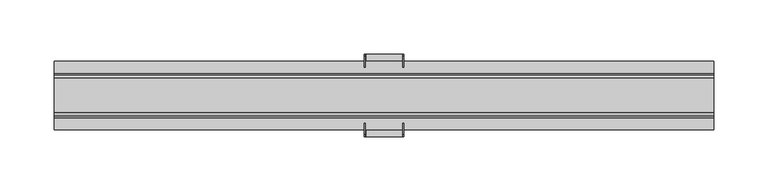
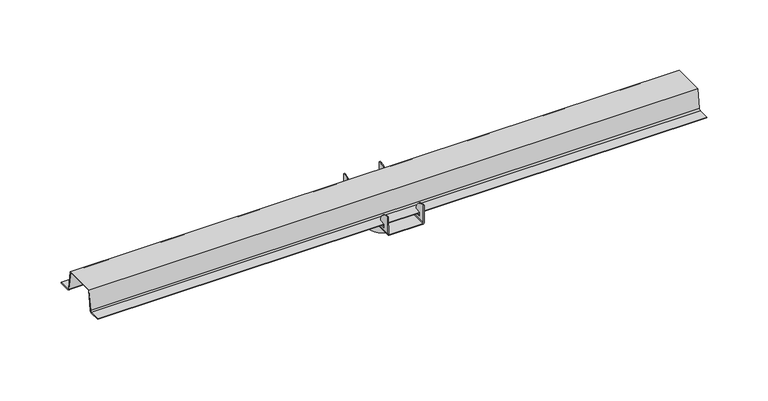
"""IFC4 building model written with IfcOpenShell, lengths in millimetres: proxy geometry."""

from ifc_helpers import new_model, si_unit, point, frame, frame_2d, origin, origin_with_axes, origin_2d, place, context, project, spatial, polyline, circle_curve, ellipse_curve, trimmed, segment, composite_curve, outline, extrude, source, transform, mapped, element, save
from ifc_brep_helpers import plane_surface, cylinder_surface, revolved_surface, extruded_surface, advanced_brep


def generic_models_d6192214(model_context):
    return source(origin(), model_context, "Body", "SolidModel", [
        extrude(outline(composite_curve([segment(trimmed(circle_curve(origin_2d(), 9.525), [point((-9.525, 0.0))], [point((9.525, 0.0))], False, "CARTESIAN"), True, "CONTINUOUS"), segment(trimmed(circle_curve(origin_2d(), 9.525), [point((9.525, 0.0))], [point((-9.525, 0.0))], False, "CARTESIAN"), True, "CONTINUOUS")], self_intersect=False)), frame((0.0, 0.0, 13.890625), z_axis=(0.0, 0.0, 1.0), x_axis=(1.0, 0.0, 0.0)), (0.0, 0.0, 1.0), 11.509375),
        extrude(outline(composite_curve([segment(trimmed(circle_curve(origin_2d(), 19.05), [point((-19.05, 0.0))], [point((19.05, 0.0))], False, "CARTESIAN"), True, "CONTINUOUS"), segment(trimmed(circle_curve(origin_2d(), 19.05), [point((19.05, 0.0))], [point((-19.05, 0.0))], False, "CARTESIAN"), True, "CONTINUOUS")], self_intersect=False)), origin_with_axes(), (0.0, 0.0, 1.0), 13.096875),
        advanced_brep(
        [(-16.66875, 38.1, 13.096875), (-18.25625, 38.1, 14.684375), (-18.288, 38.1, 32.8400311), (-17.49425, 38.1, 32.8400311), (-17.49425, 38.1, 14.684375), (-16.66875, 38.1, 13.890625), (16.66875, 38.1, 13.890625), (17.4625, 38.1, 14.684375), (17.4625, 38.1, 32.8400311), (18.288, 38.1, 32.8400311), (18.288, 38.1, 14.684375), (16.66875, 38.1, 13.096875), (-16.66875, -38.1, 13.096875), (16.66875, -38.1, 13.096875), (18.25625, -38.1, 14.684375), (18.288, -38.1, 32.8400311), (17.4625, -38.1, 32.8400311), (17.4625, -38.1, 14.684375), (16.66875, -38.1, 13.890625), (-16.66875, -38.1, 13.890625), (-17.4625, -38.1, 14.684375), (-17.49425, -38.1, 32.8400311), (-18.288, -38.1, 32.8400311), (-18.288, -38.1, 14.684375), (-18.288, -36.4147924, 32.8400311), (-18.288, -25.6591837, 22.0265625), (-18.288, -32.1399308, 22.0265625), (-18.288, -32.1399308, 17.065625), (-18.288, 32.1399308, 17.065625), (-18.288, 32.1399308, 22.0265625), (-18.288, 25.6591837, 22.0265625), (-18.288, 36.4147924, 32.8400311), (-17.49425, 36.4147924, 32.8400311), (-17.49425, -36.4147924, 32.8400311), (-17.49425, 25.6591837, 22.0265625), (-17.49425, 32.1399308, 22.0265625), (-17.49425, 32.1399308, 17.065625), (-17.49425, -32.1399308, 17.065625), (-17.49425, -32.1399308, 22.0265625), (-17.49425, -25.6591837, 22.0265625), (17.4625, -36.4147924, 32.8400311), (17.4625, -25.6591837, 22.0265625), (17.4625, -32.1399308, 22.0265625), (17.4625, -32.1399308, 17.065625), (17.4625, 32.1399308, 17.065625), (17.4625, 32.1399308, 22.0265625), (17.4625, 25.6591837, 22.0265625), (17.4625, 36.4147924, 32.8400311), (18.288, 36.4147924, 32.8400311), (18.288, -36.4147924, 32.8400311), (18.288, 25.6591837, 22.0265625), (18.288, 32.1399308, 22.0265625), (18.288, 32.1399308, 17.065625), (18.288, -32.1399308, 17.065625), (18.288, -32.1399308, 22.0265625), (18.288, -25.6591837, 22.0265625)],
        [
            (0, 1, circle_curve(frame((-16.66875, 38.1, 14.684375), z_axis=(0.0, 1.0, 0.0), x_axis=(-1.0, 0.0, 0.0)), 1.5875)),
            (1, 2),
            (2, 3),
            (3, 4),
            (4, 5, circle_curve(frame((-16.66875, 38.1, 14.684375), z_axis=(0.0, -1.0, 0.0), x_axis=(-1.0, 0.0, 0.0)), 0.79375)),
            (5, 6),
            (6, 7, circle_curve(frame((16.66875, 38.1, 14.684375), z_axis=(0.0, -1.0, 0.0), x_axis=(0.0, 0.0, -1.0)), 0.79375)),
            (7, 8),
            (8, 9),
            (9, 10),
            (10, 11, circle_curve(frame((16.66875, 38.1, 14.684375), z_axis=(0.0, 1.0, 0.0), x_axis=(0.0, 0.0, -1.0)), 1.5875)),
            (11, 0),
            (12, 13),
            (13, 14, circle_curve(frame((16.66875, -38.1, 14.684375), z_axis=(0.0, -1.0, 0.0), x_axis=(0.0, 0.0, -1.0)), 1.5875)),
            (14, 15),
            (15, 16),
            (16, 17),
            (17, 18, circle_curve(frame((16.66875, -38.1, 14.684375), z_axis=(0.0, 1.0, 0.0), x_axis=(0.0, 0.0, -1.0)), 0.79375)),
            (18, 19),
            (19, 20, circle_curve(frame((-16.66875, -38.1, 14.684375), z_axis=(0.0, 1.0, 0.0), x_axis=(-1.0, 0.0, 0.0)), 0.79375)),
            (20, 21),
            (21, 22),
            (22, 23),
            (23, 12, circle_curve(frame((-16.66875, -38.1, 14.684375), z_axis=(0.0, -1.0, 0.0), x_axis=(-1.0, 0.0, 0.0)), 1.5875)),
            (0, 12),
            (23, 1),
            (22, 24),
            (24, 25, ellipse_curve(frame((-18.288, -38.1, 22.0265625), z_axis=(-1.0, 0.0, 0.0), x_axis=(0.0, 1.0, 0.0)), 12.4408163, 10.9140625)),
            (25, 26),
            (26, 27),
            (27, 28),
            (28, 29),
            (29, 30),
            (30, 31, ellipse_curve(frame((-18.288, 38.1, 22.0265625), z_axis=(-1.0, 0.0, 0.0), x_axis=(0.0, -1.0, 0.0)), 12.4408163, 10.9140625)),
            (31, 2),
            (31, 32),
            (32, 3),
            (21, 33),
            (33, 24),
            (32, 34, ellipse_curve(frame((-17.49425, 38.1, 22.0265625), z_axis=(1.0, 0.0, 0.0), x_axis=(0.0, -1.0, 0.0)), 12.4408163, 10.9140625)),
            (34, 35),
            (35, 36),
            (36, 37),
            (37, 38),
            (38, 39),
            (39, 33, ellipse_curve(frame((-17.49425, -38.1, 22.0265625), z_axis=(1.0, 0.0, 0.0), x_axis=(0.0, 1.0, 0.0)), 12.4408163, 10.9140625)),
            (20, 4),
            (19, 5),
            (18, 6),
            (17, 7),
            (16, 40),
            (40, 41, ellipse_curve(frame((17.4625, -38.1, 22.0265625), z_axis=(-1.0, 0.0, 0.0), x_axis=(0.0, 1.0, 0.0)), 12.4408163, 10.9140625)),
            (41, 42),
            (42, 43),
            (43, 44),
            (44, 45),
            (45, 46),
            (46, 47, ellipse_curve(frame((17.4625, 38.1, 22.0265625), z_axis=(-1.0, 0.0, 0.0), x_axis=(0.0, -1.0, 0.0)), 12.4408163, 10.9140625)),
            (47, 8),
            (47, 48),
            (48, 9),
            (15, 49),
            (49, 40),
            (48, 50, ellipse_curve(frame((18.288, 38.1, 22.0265625), z_axis=(1.0, 0.0, 0.0), x_axis=(0.0, -1.0, 0.0)), 12.4408163, 10.9140625)),
            (50, 51),
            (51, 52),
            (52, 53),
            (53, 54),
            (54, 55),
            (55, 49, ellipse_curve(frame((18.288, -38.1, 22.0265625), z_axis=(1.0, 0.0, 0.0), x_axis=(0.0, 1.0, 0.0)), 12.4408163, 10.9140625)),
            (14, 10),
            (13, 11),
            (27, 37),
            (36, 28),
            (43, 53),
            (52, 44),
            (35, 29),
            (51, 45),
            (34, 30),
            (50, 46),
            (39, 25),
            (55, 41),
            (38, 26),
            (54, 42),
        ],
        [
            plane_surface(frame((-18.25625, 38.1, 14.684375), z_axis=(0.0, 1.0, 0.0), x_axis=(0.0, 0.0, 1.0))),
            plane_surface(frame((-18.25625, -38.1, 14.684375), z_axis=(0.0, -1.0, 0.0), x_axis=(0.0, 0.0, -1.0))),
            cylinder_surface(frame((-16.66875, -38.1, 14.684375), z_axis=(0.0, 1.0, 0.0), x_axis=(-1.0, 0.0, 0.0)), 1.5875),
            plane_surface(frame((-18.288, 38.1, 14.684375), z_axis=(-1.0, 0.0, 0.0), x_axis=(0.0, -1.0, 0.0))),
            plane_surface(frame((-18.288, 38.1, 32.8400311), z_axis=(0.0, 0.0, 1.0), x_axis=(0.0, -1.0, 0.0))),
            plane_surface(frame((-17.49425, 38.1, 32.8400311), z_axis=(1.0, 0.0, 0.0), x_axis=(0.0, -1.0, 0.0))),
            revolved_surface(polyline([(-17.4625, -38.1, 14.684375), (-17.4625, 38.1, 14.684375)]), (-16.66875, -38.1, 14.684375), (0.0, -1.0, 0.0)),
            plane_surface(frame((-16.66875, 38.1, 13.890625), z_axis=(0.0, 0.0, 1.0), x_axis=(0.0, -1.0, 0.0))),
            revolved_surface(polyline([(16.66875, -38.1, 13.890625), (16.66875, 38.1, 13.890625)]), (16.66875, -38.1, 14.684375), (0.0, -1.0, 0.0)),
            plane_surface(frame((17.4625, 38.1, 14.684375), z_axis=(-1.0, 0.0, 0.0), x_axis=(0.0, -1.0, 0.0))),
            plane_surface(frame((17.4625, 38.1, 32.8400311), z_axis=(0.0, 0.0, 1.0), x_axis=(0.0, -1.0, 0.0))),
            plane_surface(frame((18.288, 38.1, 32.8400311), z_axis=(1.0, 0.0, 0.0), x_axis=(0.0, -1.0, 0.0))),
            cylinder_surface(frame((16.66875, -38.1, 14.684375), z_axis=(0.0, 1.0, 0.0), x_axis=(0.0, 0.0, -1.0)), 1.5875),
            plane_surface(frame((16.66875, 38.1, 13.096875), z_axis=(0.0, 0.0, -1.0), x_axis=(0.0, -1.0, 0.0))),
            plane_surface(frame((38.1, -32.1399308, 17.065625), z_axis=(0.0, 0.0, 1.0), x_axis=(-1.0, 0.0, 0.0))),
            plane_surface(frame((38.1, 32.1399308, 17.065625), z_axis=(0.0, -1.0, 0.0), x_axis=(-1.0, 0.0, 0.0))),
            plane_surface(frame((38.1, 32.1399308, 22.0265625), z_axis=(0.0, 0.0, -1.0), x_axis=(-1.0, 0.0, 0.0))),
            extruded_surface(trimmed(ellipse_curve(frame((-34.1032962, 38.1, 22.0265625), z_axis=(-1.0, 0.0, 0.0), x_axis=(0.0, -1.0, 0.0)), 12.4408163, 10.9140625), [point((-34.1032962, 25.6591837, 22.0265625))], [point((-34.1032962, 36.4147924, 32.8400311))], True, "CARTESIAN"), (-72.2032962, 0.0, 0.0), 72.2032962),
            extruded_surface(trimmed(ellipse_curve(frame((-34.1032962, -38.1, 22.0265625), z_axis=(-1.0, 0.0, 0.0), x_axis=(0.0, 1.0, 0.0)), 12.4408163, 10.9140625), [point((-34.1032962, -36.4147924, 32.8400311))], [point((-34.1032962, -25.6591837, 22.0265625))], True, "CARTESIAN"), (-72.2032962, 0.0, 0.0), 72.2032962),
            plane_surface(frame((38.1, -25.6591837, 22.0265625), z_axis=(0.0, 0.0, -1.0), x_axis=(-1.0, 0.0, 0.0))),
            plane_surface(frame((38.1, -32.1399308, 22.0265625), z_axis=(0.0, 1.0, 0.0), x_axis=(-1.0, 0.0, 0.0))),
        ],
        [
            (0, [[1, 2, 3, 4, 5, 6, 7, 8, 9, 10, 11, 12]]),
            (1, [[13, 14, 15, 16, 17, 18, 19, 20, 21, 22, 23, 24]]),
            (2, [[-1, 25, -24, 26]]),
            (3, [[-2, -26, -23, 27, 28, 29, 30, 31, 32, 33, 34, 35]]),
            (4, [[-3, -35, 36, 37]]),
            (4, [[-22, 38, 39, -27]]),
            (5, [[-4, -37, 40, 41, 42, 43, 44, 45, 46, -38, -21, 47]]),
            (6, [[-5, -47, -20, 48]]),
            (7, [[-6, -48, -19, 49]]),
            (8, [[-7, -49, -18, 50]]),
            (9, [[-8, -50, -17, 51, 52, 53, 54, 55, 56, 57, 58, 59]]),
            (10, [[-9, -59, 60, 61]]),
            (10, [[-16, 62, 63, -51]]),
            (11, [[-10, -61, 64, 65, 66, 67, 68, 69, 70, -62, -15, 71]]),
            (12, [[-11, -71, -14, 72]]),
            (13, [[-12, -72, -13, -25]]),
            (14, [[73, -43, 74, -31]]),
            (14, [[75, -67, 76, -55]]),
            (15, [[-74, -42, 77, -32]]),
            (15, [[-76, -66, 78, -56]]),
            (16, [[-77, -41, 79, -33]]),
            (16, [[-78, -65, 80, -57]]),
            (17, [[-79, -40, -36, -34]]),
            (17, [[-80, -64, -60, -58]]),
            (18, [[81, -28, -39, -46]]),
            (18, [[82, -52, -63, -70]]),
            (19, [[-81, -45, 83, -29]]),
            (19, [[-82, -69, 84, -53]]),
            (20, [[-73, -30, -83, -44]]),
            (20, [[-75, -54, -84, -68]]),
        ],
    ),
        extrude(outline(composite_curve([segment(polyline([(-16.2028566, 42.4599649), (16.2028566, 42.4599649), (18.9436289, 23.2745589)]), True, "CONTINUOUS"), segment(trimmed(circle_curve(frame_2d((20.5151737, 23.4990653)), 1.5875), [point((18.9436289, 23.2745589))], [point((20.5151737, 21.9115653))], True, "CARTESIAN"), True, "CONTINUOUS"), segment(polyline([(20.5151737, 21.9115653), (31.6701885, 21.9115653), (31.6701885, 21.0411031), (20.5296078, 21.0411031)]), True, "CONTINUOUS"), segment(trimmed(circle_curve(frame_2d((20.5296078, 23.0254781)), 1.984375), [point((20.5296078, 21.0411031))], [point((18.5651768, 22.7448451))], False, "CARTESIAN"), True, "CONTINUOUS"), segment(polyline([(18.5651768, 22.7448451), (15.8054275, 42.0630899), (-15.8054275, 42.0630899), (-18.5651768, 22.7448451)]), True, "CONTINUOUS"), segment(trimmed(circle_curve(frame_2d((-20.5296078, 23.0254781)), 1.984375), [point((-18.5651768, 22.7448451))], [point((-20.5296078, 21.0411031))], False, "CARTESIAN"), True, "CONTINUOUS"), segment(polyline([(-20.5296078, 21.0411031), (-31.6701885, 21.0411031), (-31.6701885, 21.9115653), (-20.5151737, 21.9115653)]), True, "CONTINUOUS"), segment(trimmed(circle_curve(frame_2d((-20.5151737, 23.4990653)), 1.5875), [point((-20.5151737, 21.9115653))], [point((-18.9436289, 23.2745589))], True, "CARTESIAN"), True, "CONTINUOUS"), segment(polyline([(-18.9436289, 23.2745589), (-16.2028566, 42.4599649)]), True, "CONTINUOUS")], self_intersect=False)), frame((-304.8, 0.0, 0.0), z_axis=(1.0, 0.0, 0.0), x_axis=(0.0, 1.0, 0.0)), (0.0, 0.0, 1.0), 609.6),
    ])


if __name__ == "__main__":
    model = new_model("IFC4")
    model_context = context("Model", 3, world=origin())
    ifc_project = project(units=[si_unit("LENGTHUNIT", "METRE", prefix="MILLI")], contexts=[model_context])
    site = spatial("IfcSite", under=ifc_project)
    building = spatial("IfcBuilding", under=site)
    placement = place(None, origin())
    generic_models_shape = generic_models_d6192214(model_context)
    element("IfcBuildingElementProxy", 1, Name="Generic Models", at=placement, inside=building, context=model_context, shape_type="MappedRepresentation", body=[
        mapped(generic_models_shape, transform((0.0, 0.0, 0.0), x_axis=(1.0, 0.0, 0.0), y_axis=(0.0, 1.0, 0.0), z_axis=(0.0, 0.0, 1.0))),
    ])
    save(model, "model.ifc")
